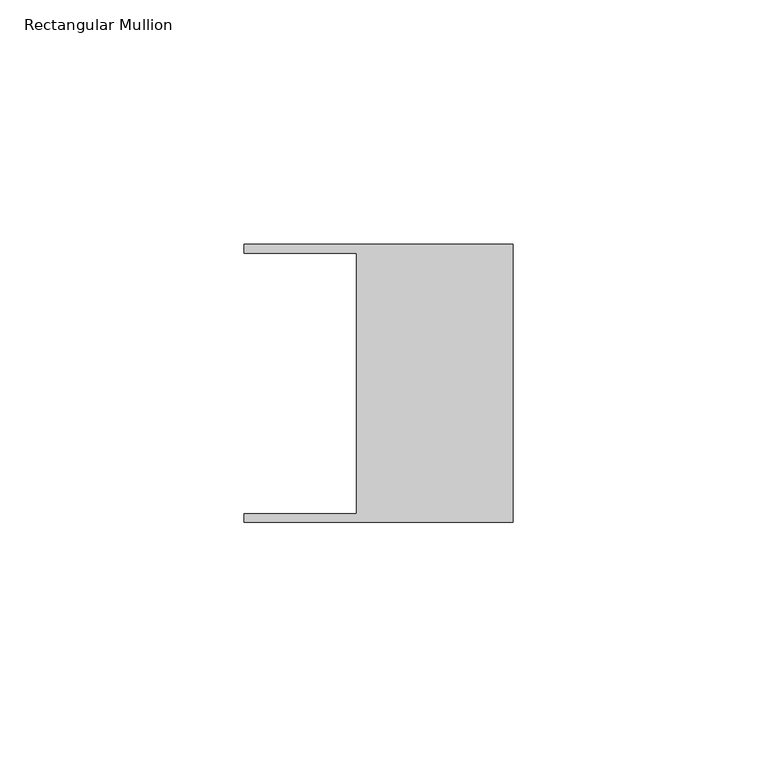
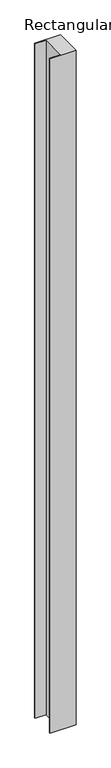
"""IFC4 building model written with IfcOpenShell, lengths in millimetres: member geometry, Rectangular Mullion."""

from ifc_helpers import new_model, si_unit, frame, origin, place, context, project, spatial, polyline, outline, extrude, source, transform, mapped, element, save


def rectangular_mullion_1d3b6451(model_context):
    return source(origin(), model_context, "Body", "SweptSolid", [
        extrude(outline(polyline([(-32.004, -26.67), (-32.004, 26.67), (-54.991, 26.67), (-54.991, 28.448), (0.0, 28.448), (0.0, -28.448), (-54.991, -28.448), (-54.991, -26.67), (-32.004, -26.67)])), frame((0.0, 0.0, -1516.5916667), z_axis=(0.0, 0.0, 1.0), x_axis=(1.0, 0.0, 0.0)), (0.0, 0.0, 1.0), 1516.5916667),
    ])


if __name__ == "__main__":
    model = new_model("IFC4")
    model_context = context("Model", 3, world=origin())
    ifc_project = project(units=[si_unit("LENGTHUNIT", "METRE", prefix="MILLI")], contexts=[model_context])
    site = spatial("IfcSite", under=ifc_project)
    building = spatial("IfcBuilding", under=site)
    placement = place(None, origin())
    rectangular_mullion_shape = rectangular_mullion_1d3b6451(model_context)
    element("IfcMember", 1, ObjectType="Rectangular Mullion", at=placement, inside=building, context=model_context, shape_type="MappedRepresentation", body=[
        mapped(rectangular_mullion_shape, transform((0.0, 0.0, 0.0), x_axis=(1.0, 0.0, 0.0), y_axis=(0.0, 1.0, 0.0), z_axis=(0.0, 0.0, 1.0))),
    ])
    save(model, "model.ifc")
